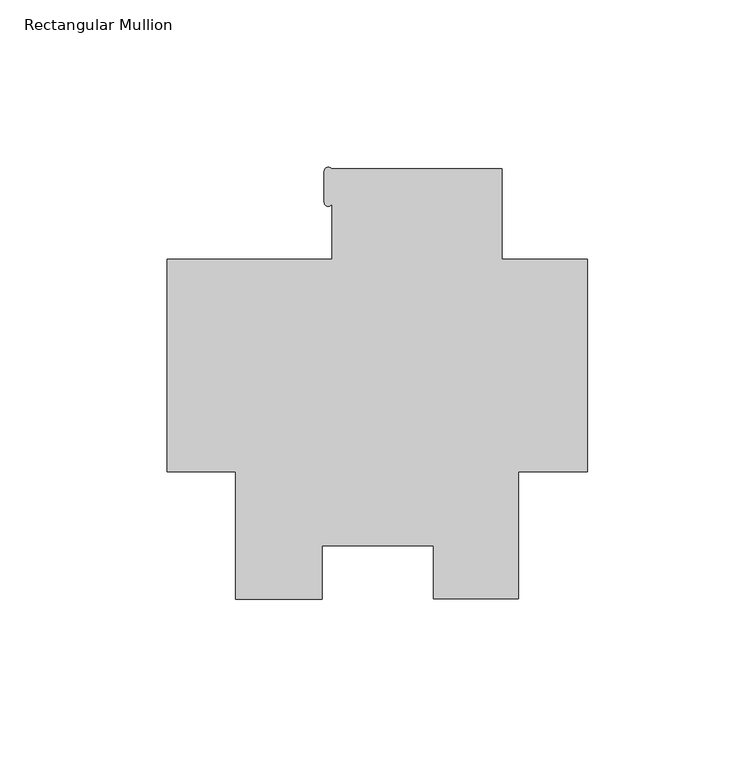
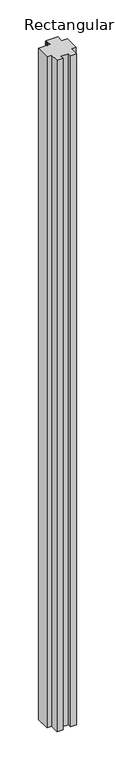
"""IFC4 building model written with IfcOpenShell, lengths in millimetres: member geometry, Rectangular Mullion."""

from ifc_helpers import new_model, si_unit, point, frame, frame_2d, origin, place, context, project, spatial, polyline, circle_curve, trimmed, segment, composite_curve, outline, extrude, source, transform, mapped, element, save


def rectangular_mullion_a1b7dc03(model_context):
    return source(origin(), model_context, "Body", "SweptSolid", [
        extrude(outline(composite_curve([segment(polyline([(-25.577927, 58.7248), (-25.577927, 31.75), (0.0, 31.75), (0.0, -31.75), (-20.6735973, -31.75), (-20.6735973, -69.85), (-46.0042659, -69.85), (-46.0042659, -53.9624751), (-79.3448739, -53.9624751), (-79.3448739, -69.8732034), (-105.2447888, -69.8732034), (-105.2447888, -31.75), (-125.7808, -31.75), (-125.7808, 31.75), (-76.377927, 31.75), (-76.377927, 48.7042634)]), True, "CONTINUOUS"), segment(trimmed(circle_curve(frame_2d((-77.571473, 48.7288883)), 1.1938), [point((-76.377927, 48.7042634))], [point((-78.765273, 48.7288883))], False, "CARTESIAN"), True, "CONTINUOUS"), segment(polyline([(-78.765273, 48.7288883), (-78.765273, 58.0542437)]), True, "CONTINUOUS"), segment(trimmed(circle_curve(frame_2d((-77.571473, 58.0542437)), 1.1938), [point((-78.765273, 58.0542437))], [point((-76.5837926, 58.7248))], False, "CARTESIAN"), True, "CONTINUOUS"), segment(polyline([(-76.5837926, 58.7248), (-25.577927, 58.7248)]), True, "CONTINUOUS")], self_intersect=False)), frame((0.0, 0.0, -3048.0), z_axis=(0.0, 0.0, 1.0), x_axis=(1.0, 0.0, 0.0)), (0.0, 0.0, 1.0), 3048.0),
    ])


if __name__ == "__main__":
    model = new_model("IFC4")
    model_context = context("Model", 3, world=origin())
    ifc_project = project(units=[si_unit("LENGTHUNIT", "METRE", prefix="MILLI")], contexts=[model_context])
    site = spatial("IfcSite", under=ifc_project)
    building = spatial("IfcBuilding", under=site)
    placement = place(None, origin())
    rectangular_mullion_shape = rectangular_mullion_a1b7dc03(model_context)
    element("IfcMember", 1, ObjectType="Rectangular Mullion", at=placement, inside=building, context=model_context, shape_type="MappedRepresentation", body=[
        mapped(rectangular_mullion_shape, transform((0.0, 0.0, 0.0), x_axis=(1.0, 0.0, 0.0), y_axis=(0.0, 1.0, 0.0), z_axis=(0.0, 0.0, 1.0))),
    ])
    save(model, "model.ifc")
